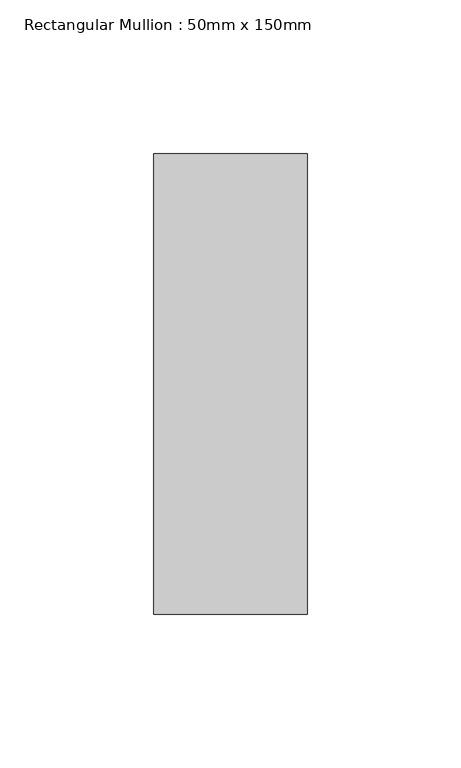
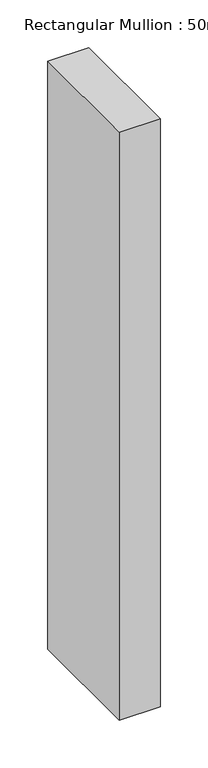
"""IFC4 building model written with IfcOpenShell, lengths in millimetres: member geometry, Rectangular Mullion : 50mm x 150mm."""

from ifc_helpers import new_model, si_unit, frame, origin, place, context, project, spatial, polyline, outline, extrude, source, transform, mapped, element, save


def rectangular_mullion_50mm_x_150mm_31393bf5(model_context):
    return source(origin(), model_context, "Body", "SweptSolid", [
        extrude(outline(polyline([(0.0, 75.0), (0.0, -75.0), (-50.0, -75.0), (-50.0, 75.0), (0.0, 75.0)])), frame((0.0, 0.0, -753.7418053), z_axis=(0.0, 0.0, 1.0), x_axis=(1.0, 0.0, 0.0)), (0.0, 0.0, 1.0), 753.7418053),
    ])


if __name__ == "__main__":
    model = new_model("IFC4")
    model_context = context("Model", 3, world=origin())
    ifc_project = project(units=[si_unit("LENGTHUNIT", "METRE", prefix="MILLI")], contexts=[model_context])
    site = spatial("IfcSite", under=ifc_project)
    building = spatial("IfcBuilding", under=site)
    placement = place(None, origin())
    rectangular_mullion_50mm_x_150mm_shape = rectangular_mullion_50mm_x_150mm_31393bf5(model_context)
    element("IfcMember", 1, ObjectType="Rectangular Mullion : 50mm x 150mm", at=placement, inside=building, context=model_context, shape_type="MappedRepresentation", body=[
        mapped(rectangular_mullion_50mm_x_150mm_shape, transform((0.0, 0.0, 0.0), x_axis=(1.0, 0.0, 0.0), y_axis=(0.0, 1.0, 0.0), z_axis=(0.0, 0.0, 1.0))),
    ])
    save(model, "model.ifc")
